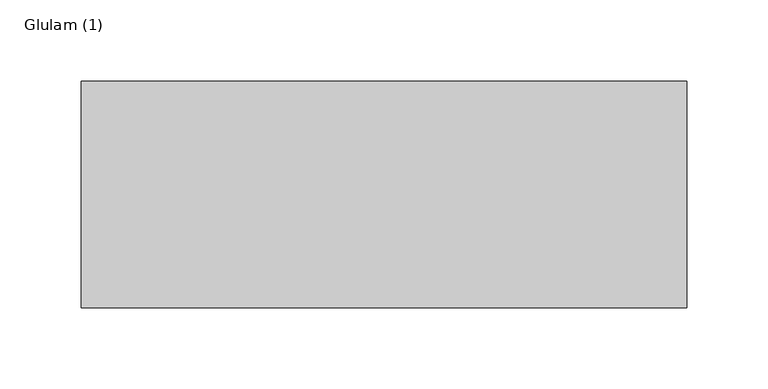
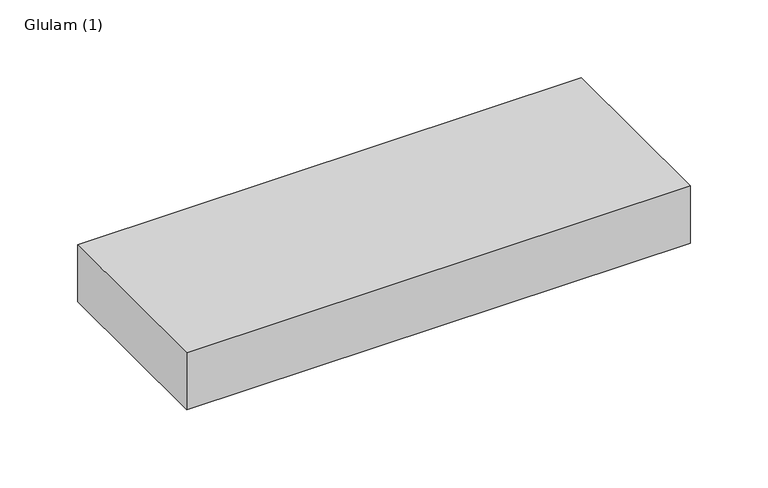
"""IFC4 building model written with IfcOpenShell, lengths in millimetres: beam geometry, Glulam (1)."""

import ifcopenshell
import ifcopenshell.guid

model = None  # the IFC model being written
_history = None  # IfcOwnerHistory: only IFC2X3 demands one
_inside = {}  # id of a spatial element -> (the spatial element, [elements in it])
_under = {}  # id of a project, library or spatial element -> (it, [spatial elements below it])
_declared = {}  # id of a project -> (the project, [libraries it declares])
_typed = {}  # id of a type object -> (the type object, [elements of that type])
_made_of = {}  # id of a material, layer set ... -> (it, [elements and type objects made of it])


def new_model(schema):
    """Start an empty IFC model of exactly this schema.

    Asked for "IFC4X3", IfcOpenShell would pick the latest addendum, in which some entities
    have other attributes; the version numbers below select the first issue.
    IFC2X3 requires an IfcOwnerHistory on every rooted entity: one is made here for all.
    """
    global model, _history
    if schema == "IFC4X3":
        model = ifcopenshell.file(schema_version=(4, 3, 0, 0))
    else:
        model = ifcopenshell.file(schema=schema)
    _inside.clear()
    _under.clear()
    _declared.clear()
    _typed.clear()
    _made_of.clear()
    _history = None
    if model.schema == "IFC2X3":
        org = make("IfcOrganization", Name="unknown")
        user = make(
            "IfcPersonAndOrganization",
            ThePerson=make("IfcPerson", FamilyName="unknown"),
            TheOrganization=org,
        )
        app = make(
            "IfcApplication",
            ApplicationDeveloper=org,
            Version="unknown",
            ApplicationFullName="unknown",
            ApplicationIdentifier="unknown",
        )
        _history = make(
            "IfcOwnerHistory",
            OwningUser=user,
            OwningApplication=app,
            ChangeAction="ADDED",
            CreationDate=0,
        )
    return model


def make(cls, **values):
    """One entity of the class cls with the attributes given. An attribute that is None is left unset."""
    return model.create_entity(
        cls, **{name: value for name, value in values.items() if value is not None}
    )


def rooted(cls, **values):
    """An entity with a GlobalId (a new one), such as an element, a storey or a relation."""
    return make(cls, GlobalId=ifcopenshell.guid.new(), OwnerHistory=_history, **values)


def si_unit(unit_type, name, prefix=None):
    """IfcSIUnit, for example si_unit("LENGTHUNIT", "METRE", prefix="MILLI")."""
    return make("IfcSIUnit", UnitType=unit_type, Prefix=prefix, Name=name)


def assignment(units):
    """IfcUnitAssignment: the units of a project."""
    return None if units is None else make("IfcUnitAssignment", Units=units)


def point(xyz):
    """IfcCartesianPoint."""
    return None if xyz is None else make("IfcCartesianPoint", Coordinates=xyz)


def direction(xyz):
    """IfcDirection."""
    return None if xyz is None else make("IfcDirection", DirectionRatios=xyz)


def frame(location, z_axis=None, x_axis=None):
    """IfcAxis2Placement3D, a coordinate frame: its origin and axes. An axis left out is left unset."""
    return make(
        "IfcAxis2Placement3D",
        Location=point(location),
        Axis=direction(z_axis),
        RefDirection=direction(x_axis),
    )


def origin():
    """The frame at (0, 0, 0) with its axes left unset."""
    return frame((0.0, 0.0, 0.0))


def place(relative_to, where):
    """IfcLocalPlacement: puts the frame where relative to a parent placement (None: the world)."""
    return make(
        "IfcLocalPlacement", PlacementRelTo=relative_to, RelativePlacement=where
    )


def context(
    kind, dimensions, precision=None, world=None, true_north=None, identifier=None
):
    """IfcGeometricRepresentationContext, for example the 3D "Model" context."""
    return make(
        "IfcGeometricRepresentationContext",
        ContextIdentifier=identifier,
        ContextType=kind,
        CoordinateSpaceDimension=dimensions,
        Precision=precision,
        WorldCoordinateSystem=world,
        TrueNorth=true_north,
    )


def project(units=None, contexts=None):
    """IfcProject with its units and contexts."""
    return rooted(
        "IfcProject",
        Name="project",
        RepresentationContexts=contexts,
        UnitsInContext=assignment(units),
    )


def spatial(cls, under=None, at=None, **own):
    """A site, building, storey or space (cls), placed at a placement, below another one or the project."""
    s = rooted(cls, ObjectPlacement=at, **own)
    if under is not None:
        _under.setdefault(under.id(), (under, []))[1].append(s)
    return s


def polyline(points):
    """IfcPolyline through the points."""
    return make("IfcPolyline", Points=[point(p) for p in points])


def outline(outer, holes=None, kind="AREA"):
    """IfcArbitraryClosedProfileDef: a profile drawn as a closed curve; with holes, ...WithVoids."""
    if holes is None:
        return make("IfcArbitraryClosedProfileDef", ProfileType=kind, OuterCurve=outer)
    return make(
        "IfcArbitraryProfileDefWithVoids",
        ProfileType=kind,
        OuterCurve=outer,
        InnerCurves=holes,
    )


def extrude(swept, where, along, depth):
    """IfcExtrudedAreaSolid: the profile swept, set in the frame where, extruded along a direction by depth."""
    return make(
        "IfcExtrudedAreaSolid",
        SweptArea=swept,
        Position=where,
        ExtrudedDirection=direction(along),
        Depth=depth,
    )


def shape(context_of_items, identifier, shape_type, items):
    """IfcShapeRepresentation: the items that make up one representation, for example the "Body"."""
    return make(
        "IfcShapeRepresentation",
        ContextOfItems=context_of_items,
        RepresentationIdentifier=identifier,
        RepresentationType=shape_type,
        Items=items,
    )


def source(mapping_origin, context_of_items, identifier, shape_type, items):
    """IfcRepresentationMap: a shape defined once, which mapped items show again and again."""
    return make(
        "IfcRepresentationMap",
        MappingOrigin=mapping_origin,
        MappedRepresentation=shape(context_of_items, identifier, shape_type, items),
    )


def transform(
    local_origin,
    x_axis=None,
    y_axis=None,
    z_axis=None,
    scale=None,
    scale2=None,
    scale3=None,
    uniform=True,
):
    """IfcCartesianTransformationOperator3D, or its non-uniform kind. x_axis, y_axis, z_axis: its Axis1, 2, 3."""
    if uniform:
        return make(
            "IfcCartesianTransformationOperator3D",
            Axis1=direction(x_axis),
            Axis2=direction(y_axis),
            LocalOrigin=point(local_origin),
            Scale=scale,
            Axis3=direction(z_axis),
        )
    return make(
        "IfcCartesianTransformationOperator3DnonUniform",
        Axis1=direction(x_axis),
        Axis2=direction(y_axis),
        LocalOrigin=point(local_origin),
        Scale=scale,
        Axis3=direction(z_axis),
        Scale2=scale2,
        Scale3=scale3,
    )


def mapped(mapping_source, mapping_target):
    """IfcMappedItem: shows the shape of a source again, moved by a transform."""
    return make(
        "IfcMappedItem", MappingSource=mapping_source, MappingTarget=mapping_target
    )


def made_of(thing, what):
    """Note that an element or type object is made of a material, layer set ...; save() writes the relation."""
    if what is not None:
        _made_of.setdefault(what.id(), (what, []))[1].append(thing)
    return thing


def element(
    cls,
    number,
    at=None,
    inside=None,
    cuts=None,
    type_object=None,
    material=None,
    context=None,
    identifier="Body",
    shape_type=None,
    held_by="IfcProductDefinitionShape",
    body=None,
    shapes=None,
    **own,
):
    """One element of the class cls, such as IfcWall. Its Tag is "e" and its number.

    at: its placement. inside: the storey or other place that contains it. cuts: it is an
    opening in that element (IfcRelVoidsElement). A single representation is given by context,
    identifier, shape_type and body (its items); several are given by shapes. held_by: the class
    of the entity that holds the representations. save() writes the other relations.
    """
    e = rooted(cls, Tag="e%d" % number, ObjectPlacement=at, **own)
    if body is not None:
        shapes = [shape(context, identifier, shape_type, body)]
    if shapes is not None:
        e.Representation = make(held_by, Representations=shapes)
    if inside is not None:
        _inside.setdefault(inside.id(), (inside, []))[1].append(e)
    if cuts is not None:
        rooted(
            "IfcRelVoidsElement", RelatingBuildingElement=cuts, RelatedOpeningElement=e
        )
    if type_object is not None:
        _typed.setdefault(type_object.id(), (type_object, []))[1].append(e)
    return made_of(e, material)


def aggregate(whole, parts):
    """IfcRelAggregates: a whole, such as a stair, and the parts it consists of."""
    return rooted("IfcRelAggregates", RelatingObject=whole, RelatedObjects=parts)


def save(model, path):
    """Write the relations noted so far, then the file.

    IfcRelAggregates (storeys below a building ...), IfcRelContainedInSpatialStructure (elements
    in a storey), IfcRelDefinesByType, IfcRelAssociatesMaterial and IfcRelDeclares: one each for
    every whole, place, type object, material and project.
    """
    for whole, parts in _under.values():
        aggregate(whole, parts)
    for where, things in _inside.values():
        rooted(
            "IfcRelContainedInSpatialStructure",
            RelatedElements=things,
            RelatingStructure=where,
        )
    for kind, things in _typed.values():
        rooted("IfcRelDefinesByType", RelatedObjects=things, RelatingType=kind)
    for what, things in _made_of.values():
        rooted("IfcRelAssociatesMaterial", RelatedObjects=things, RelatingMaterial=what)
    for by, libraries in _declared.values():
        rooted("IfcRelDeclares", RelatingContext=by, RelatedDefinitions=libraries)
    model.write(path)


def glulam_1_2a39256b(model_context):
    return source(origin(), model_context, "Body", "SweptSolid", [
        extrude(outline(polyline([(161.0, 70.0), (161.0, -70.0), (-213.0, -70.0), (-213.0, 70.0), (161.0, 70.0)])), frame((0.0, 0.0, -22.5), z_axis=(0.0, 0.0, 1.0), x_axis=(1.0, 0.0, 0.0)), (0.0, 0.0, 1.0), 45.0),
    ])


if __name__ == "__main__":
    model = new_model("IFC4")
    model_context = context("Model", 3, world=origin())
    ifc_project = project(units=[si_unit("LENGTHUNIT", "METRE", prefix="MILLI")], contexts=[model_context])
    site = spatial("IfcSite", under=ifc_project)
    building = spatial("IfcBuilding", under=site)
    placement = place(None, origin())
    glulam_1_shape = glulam_1_2a39256b(model_context)
    element("IfcBeam", 1, ObjectType="Glulam (1)", at=placement, inside=building, context=model_context, shape_type="MappedRepresentation", body=[
        mapped(glulam_1_shape, transform((0.0, 0.0, 0.0), x_axis=(1.0, 0.0, 0.0), y_axis=(0.0, 1.0, 0.0), z_axis=(0.0, 0.0, 1.0))),
    ])
    save(model, "model.ifc")
